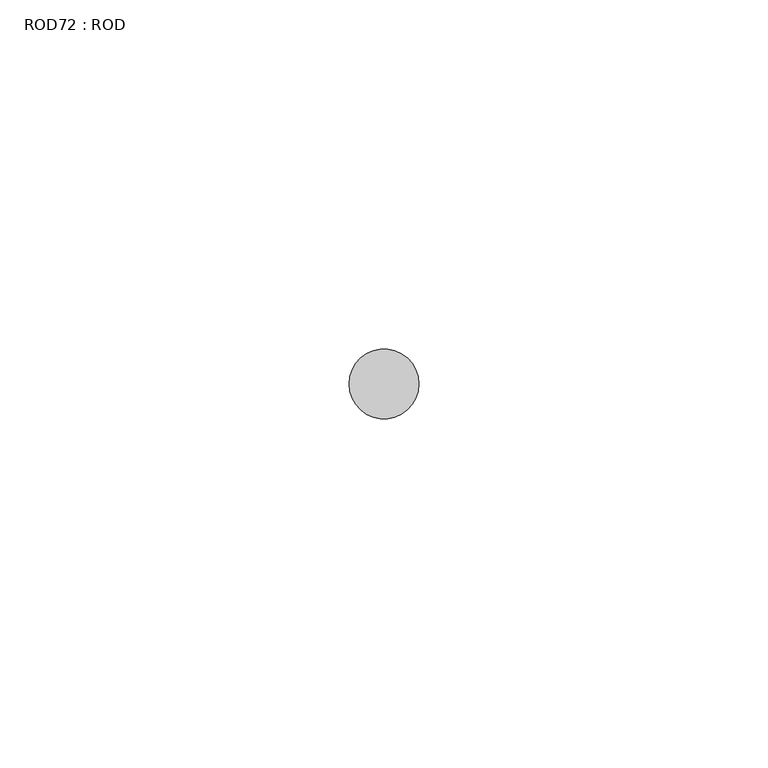
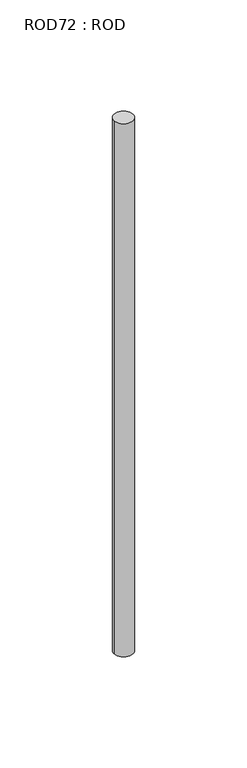
"""IFC4 building model written with IfcOpenShell, lengths in millimetres: proxy geometry, ROD72 : ROD."""

from ifc_helpers import new_model, si_unit, point, frame, frame_2d, origin, place, context, project, spatial, circle_curve, trimmed, segment, composite_curve, outline, extrude, source, transform, mapped, element, save


def rod72_rod_80f89f4e(model_context):
    return source(origin(), model_context, "Body", "SweptSolid", [
        extrude(outline(composite_curve([segment(trimmed(circle_curve(frame_2d((7799.7673324, 1031.8951272)), 5.0), [point((7794.7673324, 1031.8951272))], [point((7804.7673324, 1031.8951272))], False, "CARTESIAN"), True, "CONTINUOUS"), segment(trimmed(circle_curve(frame_2d((7799.7673324, 1031.8951272)), 5.0), [point((7804.7673324, 1031.8951272))], [point((7794.7673324, 1031.8951272))], False, "CARTESIAN"), True, "CONTINUOUS")], self_intersect=False)), frame((0.0, 0.0, -108.6608845), z_axis=(0.0, 0.0, 1.0), x_axis=(1.0, 0.0, 0.0)), (0.0, 0.0, 1.0), 298.9028972),
    ])


if __name__ == "__main__":
    model = new_model("IFC4")
    model_context = context("Model", 3, world=origin())
    ifc_project = project(units=[si_unit("LENGTHUNIT", "METRE", prefix="MILLI")], contexts=[model_context])
    site = spatial("IfcSite", under=ifc_project)
    building = spatial("IfcBuilding", under=site)
    placement = place(None, origin())
    rod72_rod_shape = rod72_rod_80f89f4e(model_context)
    element("IfcBuildingElementProxy", 1, Name="ROD72 : ROD", ObjectType="ROD72 : ROD", at=placement, inside=building, context=model_context, shape_type="MappedRepresentation", body=[
        mapped(rod72_rod_shape, transform((0.0, 0.0, 0.0), x_axis=(1.0, 0.0, 0.0), y_axis=(0.0, 1.0, 0.0), z_axis=(0.0, 0.0, 1.0))),
    ])
    save(model, "model.ifc")
